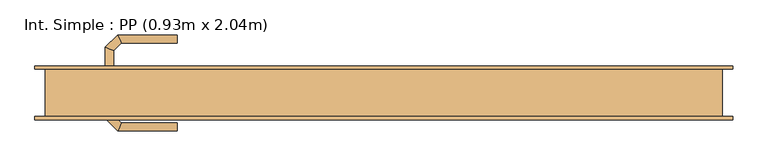
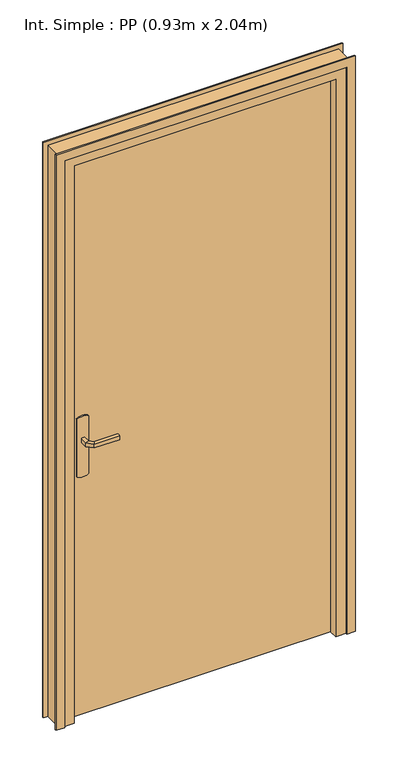
"""IFC4 building model written with IfcOpenShell, lengths in millimetres: door geometry, Int. Simple : PP (0.93m x 2.04m)."""

from ifc_helpers import new_model, si_unit, point, frame, frame_2d, origin, origin_with_axes, place, context, project, spatial, polyline, circle_curve, ellipse_curve, trimmed, segment, composite_curve, outline, extrude, faceted_brep, source, transform, mapped, element, save
from ifc_brep_helpers import plane_surface, cylinder_surface, advanced_brep


def int_simple_pp_0_93m_x_2_04m_e56fa8e8(model_context):
    return source(origin(), model_context, "Body", "SolidModel", [
        extrude(outline(composite_curve([segment(trimmed(circle_curve(frame_2d((904.6410162, -440.0)), 40.0), [point((870.0, -460.0))], [point((870.0, -420.0))], False, "CARTESIAN"), True, "CONTINUOUS"), segment(polyline([(870.0, -420.0), (1080.0, -420.0)]), True, "CONTINUOUS"), segment(trimmed(circle_curve(frame_2d((1045.3589838, -440.0)), 40.0), [point((1080.0, -420.0))], [point((1080.0, -460.0))], False, "CARTESIAN"), True, "CONTINUOUS"), segment(polyline([(1080.0, -460.0), (870.0, -460.0)]), True, "CONTINUOUS")], self_intersect=False)), frame((0.0, 35.0, 0.0), z_axis=(0.0, 1.0, 0.0), x_axis=(0.0, 0.0, 1.0)), (0.0, 0.0, 1.0), 5.0),
        extrude(outline(composite_curve([segment(trimmed(circle_curve(frame_2d((1045.3589838, -440.0)), 40.0), [point((1080.0, -420.0))], [point((1080.0, -460.0))], False, "CARTESIAN"), True, "CONTINUOUS"), segment(polyline([(1080.0, -460.0), (870.0, -460.0)]), True, "CONTINUOUS"), segment(trimmed(circle_curve(frame_2d((904.6410162, -440.0)), 40.0), [point((870.0, -460.0))], [point((870.0, -420.0))], False, "CARTESIAN"), True, "CONTINUOUS"), segment(polyline([(870.0, -420.0), (1080.0, -420.0)]), True, "CONTINUOUS")], self_intersect=False)), frame((0.0, -10.0, 0.0), z_axis=(0.0, 1.0, 0.0), x_axis=(0.0, 0.0, 1.0)), (0.0, 0.0, 1.0), 5.0),
        advanced_brep(
        [(-446.0, 40.0, 1007.0), (-446.0, 40.0, 993.0), (-434.0, 40.0, 993.0), (-434.0, 40.0, 1007.0), (-434.0, 62.680388, 1007.0), (-446.0, 67.6509507, 1007.0), (-434.0, 62.680388, 993.0), (-446.0, 67.6509507, 993.0), (-422.6522273, 74.0281607, 1007.0), (-427.62279, 86.0281607, 1007.0), (-422.6522273, 74.0281607, 993.0), (-427.62279, 86.0281607, 993.0), (-339.9813594, 86.0281607, 1007.0), (-339.9813594, 74.0281607, 1007.0), (-339.9813594, 74.0281607, 993.0), (-339.9813594, 86.0281607, 993.0)],
        [
            (0, 1),
            (1, 2, circle_curve(frame((-440.0, 40.0, 1013.0457722), z_axis=(0.0, -1.0, 0.0), x_axis=(1.0, 0.0, 0.0)), 20.9244589)),
            (2, 3),
            (3, 0, circle_curve(frame((-440.0, 40.0, 986.9542278), z_axis=(0.0, -1.0, 0.0), x_axis=(1.0, 0.0, 0.0)), 20.9244589)),
            (3, 4),
            (4, 5, ellipse_curve(frame((-440.0, 65.1656693, 986.9542278), z_axis=(-0.3826834323651126, -0.9238795325112773, 0.0), x_axis=(0.9238795325112775, -0.38268343236511254, 0.0)), 22.6484711, 20.9244589)),
            (5, 0),
            (2, 6),
            (6, 4),
            (1, 7),
            (7, 6, ellipse_curve(frame((-440.0, 65.1656693, 1013.0457722), z_axis=(-0.3826834323651126, -0.9238795325112773, 0.0), x_axis=(0.9238795325112775, -0.38268343236511254, 0.0)), 22.6484711, 20.9244589)),
            (5, 7),
            (4, 8),
            (8, 9, ellipse_curve(frame((-425.1375086, 80.0281607, 986.9542278), z_axis=(-0.9238795325112962, -0.38268343236506686, 0.0), x_axis=(0.3826834323650665, -0.9238795325112965, 0.0)), 22.6484711, 20.9244589)),
            (9, 5),
            (6, 10),
            (10, 8),
            (7, 11),
            (11, 10, ellipse_curve(frame((-425.1375086, 80.0281607, 1013.0457722), z_axis=(-0.9238795325112962, -0.38268343236506686, 0.0), x_axis=(0.3826834323650665, -0.9238795325112965, 0.0)), 22.6484711, 20.9244589)),
            (9, 11),
            (12, 13, circle_curve(frame((-339.9813594, 80.0281607, 986.9542278), z_axis=(1.0, 0.0, 0.0), x_axis=(0.0, -1.0, 0.0)), 20.9244589)),
            (13, 14),
            (14, 15, circle_curve(frame((-339.9813594, 80.0281607, 1013.0457722), z_axis=(1.0, 0.0, 0.0), x_axis=(0.0, -1.0, 0.0)), 20.9244589)),
            (15, 12),
            (8, 13),
            (12, 9),
            (10, 14),
            (11, 15),
        ],
        [
            plane_surface(frame((-449.2195445, 40.0, 1000.0), z_axis=(0.0, -1.0, 0.0), x_axis=(0.0, 0.0, -1.0))),
            cylinder_surface(frame((-440.0, 40.0, 986.9542278), z_axis=(0.0, -1.0, 0.0), x_axis=(1.0, 0.0, 0.0)), 20.9244589),
            plane_surface(frame((-434.0, 40.0, 1007.0), z_axis=(1.0, 0.0, 0.0), x_axis=(0.0, 1.0, 0.0))),
            cylinder_surface(frame((-440.0, 40.0, 1013.0457722), z_axis=(0.0, -1.0, 0.0), x_axis=(1.0, 0.0, 0.0)), 20.9244589),
            plane_surface(frame((-446.0, 40.0, 993.0), z_axis=(-1.0, 0.0, 0.0), x_axis=(0.0, 1.0, 0.0))),
            cylinder_surface(frame((-440.0, 65.1656693, 986.9542278), z_axis=(-0.7071067811865798, -0.7071067811865152, 0.0), x_axis=(0.7071067811865152, -0.7071067811865798, 0.0)), 20.9244589),
            plane_surface(frame((-434.0, 62.680388, 1007.0), z_axis=(0.7071067811865152, -0.7071067811865799, 0.0), x_axis=(0.7071067811865799, 0.7071067811865152, 0.0))),
            cylinder_surface(frame((-440.0, 65.1656693, 1013.0457722), z_axis=(-0.7071067811865798, -0.7071067811865152, 0.0), x_axis=(0.7071067811865152, -0.7071067811865798, 0.0)), 20.9244589),
            plane_surface(frame((-446.0, 67.6509507, 993.0), z_axis=(-0.7071067811865152, 0.7071067811865799, 0.0), x_axis=(0.7071067811865799, 0.7071067811865152, 0.0))),
            plane_surface(frame((-339.9813594, 80.0281607, 990.7804555), z_axis=(1.0, 0.0, 0.0), x_axis=(0.0, -1.0, 0.0))),
            cylinder_surface(frame((-425.1375086, 80.0281607, 986.9542278), z_axis=(-1.0, 0.0, 0.0), x_axis=(0.0, -1.0, 0.0)), 20.9244589),
            plane_surface(frame((-422.6522273, 74.0281607, 1007.0), z_axis=(0.0, -1.0, 0.0), x_axis=(1.0, 0.0, 0.0))),
            cylinder_surface(frame((-425.1375086, 80.0281607, 1013.0457722), z_axis=(-1.0, 0.0, 0.0), x_axis=(0.0, -1.0, 0.0)), 20.9244589),
            plane_surface(frame((-427.62279, 86.0281607, 993.0), z_axis=(0.0, 1.0, 0.0), x_axis=(1.0, 0.0, 0.0))),
        ],
        [
            (0, [[1, 2, 3, 4]]),
            (1, [[5, 6, 7, -4]]),
            (2, [[8, 9, -5, -3]]),
            (3, [[10, 11, -8, -2]]),
            (4, [[-7, 12, -10, -1]]),
            (5, [[13, 14, 15, -6]]),
            (6, [[16, 17, -13, -9]]),
            (7, [[18, 19, -16, -11]]),
            (8, [[-15, 20, -18, -12]]),
            (9, [[21, 22, 23, 24]]),
            (10, [[25, -21, 26, -14]]),
            (11, [[27, -22, -25, -17]]),
            (12, [[28, -23, -27, -19]]),
            (13, [[-26, -24, -28, -20]]),
        ],
    ),
        advanced_brep(
        [(-434.0, -10.0, 993.0), (-446.0, -10.0, 993.0), (-446.0, -10.0, 1007.0), (-434.0, -10.0, 1007.0), (-434.0, -32.4852045, 1007.0), (-434.0, -32.4852045, 993.0), (-446.0, -37.4557673, 1007.0), (-446.0, -37.4557673, 993.0), (-422.5147186, -43.9704859, 1007.0), (-422.5147186, -43.9704859, 993.0), (-427.4852814, -55.9704859, 1007.0), (-427.4852814, -55.9704859, 993.0), (-339.9542163, -43.9704859, 993.0), (-339.9542163, -43.9704859, 1007.0), (-339.9542163, -55.9704859, 1007.0), (-339.9542163, -55.9704859, 993.0)],
        [
            (0, 1, circle_curve(frame((-440.0, -10.0, 1013.0457722), z_axis=(0.0, 1.0, 0.0), x_axis=(-1.0, 0.0, 0.0)), 20.9244589)),
            (1, 2),
            (2, 3, circle_curve(frame((-440.0, -10.0, 986.9542278), z_axis=(0.0, 1.0, 0.0), x_axis=(-1.0, 0.0, 0.0)), 20.9244589)),
            (3, 0),
            (3, 4),
            (4, 5),
            (5, 0),
            (2, 6),
            (6, 4, ellipse_curve(frame((-440.0, -34.9704859, 986.9542278), z_axis=(-0.3826834323651055, 0.9238795325112801, 0.0), x_axis=(0.9238795325112799, 0.3826834323651064, 0.0)), 22.6484711, 20.9244589)),
            (1, 7),
            (7, 6),
            (5, 7, ellipse_curve(frame((-440.0, -34.9704859, 1013.0457722), z_axis=(-0.3826834323651055, 0.9238795325112801, 0.0), x_axis=(0.9238795325112799, 0.3826834323651064, 0.0)), 22.6484711, 20.9244589)),
            (4, 8),
            (8, 9),
            (9, 5),
            (6, 10),
            (10, 8, ellipse_curve(frame((-425.0, -49.9704859, 986.9542278), z_axis=(-0.9238795325112932, 0.382683432365074, 0.0), x_axis=(0.3826834323650737, 0.9238795325112934, 0.0)), 22.6484711, 20.9244589)),
            (7, 11),
            (11, 10),
            (9, 11, ellipse_curve(frame((-425.0, -49.9704859, 1013.0457722), z_axis=(-0.9238795325112932, 0.382683432365074, 0.0), x_axis=(0.3826834323650737, 0.9238795325112934, 0.0)), 22.6484711, 20.9244589)),
            (12, 13),
            (13, 14, circle_curve(frame((-339.9542163, -49.9704859, 986.9542278), z_axis=(1.0, 0.0, 0.0), x_axis=(0.0, -1.0, 0.0)), 20.9244589)),
            (14, 15),
            (15, 12, circle_curve(frame((-339.9542163, -49.9704859, 1013.0457722), z_axis=(1.0, 0.0, 0.0), x_axis=(0.0, -1.0, 0.0)), 20.9244589)),
            (8, 13),
            (12, 9),
            (10, 14),
            (11, 15),
        ],
        [
            plane_surface(frame((-449.2195445, -10.0, 1000.0), z_axis=(0.0, 1.0, 0.0), x_axis=(0.0, 0.0, 1.0))),
            plane_surface(frame((-434.0, -10.0, 993.0), z_axis=(1.0, 0.0, 0.0), x_axis=(0.0, -1.0, 0.0))),
            cylinder_surface(frame((-440.0, -10.0, 986.9542278), z_axis=(0.0, 1.0, 0.0), x_axis=(-1.0, 0.0, 0.0)), 20.9244589),
            plane_surface(frame((-446.0, -10.0, 1007.0), z_axis=(-1.0, 0.0, 0.0), x_axis=(0.0, -1.0, 0.0))),
            cylinder_surface(frame((-440.0, -10.0, 1013.0457722), z_axis=(0.0, 1.0, 0.0), x_axis=(-1.0, 0.0, 0.0)), 20.9244589),
            plane_surface(frame((-434.0, -32.4852045, 993.0), z_axis=(0.7071067811865208, 0.7071067811865742, 0.0), x_axis=(0.7071067811865742, -0.7071067811865208, 0.0))),
            cylinder_surface(frame((-440.0, -34.9704859, 986.9542278), z_axis=(-0.7071067811865742, 0.7071067811865208, 0.0), x_axis=(-0.7071067811865208, -0.7071067811865742, 0.0)), 20.9244589),
            plane_surface(frame((-446.0, -37.4557673, 1007.0), z_axis=(-0.7071067811865209, -0.7071067811865741, 0.0), x_axis=(0.7071067811865741, -0.7071067811865209, 0.0))),
            cylinder_surface(frame((-440.0, -34.9704859, 1013.0457722), z_axis=(-0.7071067811865742, 0.7071067811865208, 0.0), x_axis=(-0.7071067811865208, -0.7071067811865742, 0.0)), 20.9244589),
            plane_surface(frame((-339.9542163, -49.9704859, 990.7804555), z_axis=(1.0, 0.0, 0.0), x_axis=(0.0, -1.0, 0.0))),
            plane_surface(frame((-422.5147186, -43.9704859, 993.0), z_axis=(0.0, 1.0, 0.0), x_axis=(1.0, 0.0, 0.0))),
            cylinder_surface(frame((-425.0, -49.9704859, 986.9542278), z_axis=(-1.0, 0.0, 0.0), x_axis=(0.0, -1.0, 0.0)), 20.9244589),
            plane_surface(frame((-427.4852814, -55.9704859, 1007.0), z_axis=(0.0, -1.0, 0.0), x_axis=(1.0, 0.0, 0.0))),
            cylinder_surface(frame((-425.0, -49.9704859, 1013.0457722), z_axis=(-1.0, 0.0, 0.0), x_axis=(0.0, -1.0, 0.0)), 20.9244589),
        ],
        [
            (0, [[1, 2, 3, 4]]),
            (1, [[5, 6, 7, -4]]),
            (2, [[8, 9, -5, -3]]),
            (3, [[10, 11, -8, -2]]),
            (4, [[-7, 12, -10, -1]]),
            (5, [[13, 14, 15, -6]]),
            (6, [[16, 17, -13, -9]]),
            (7, [[18, 19, -16, -11]]),
            (8, [[-15, 20, -18, -12]]),
            (9, [[21, 22, 23, 24]]),
            (10, [[25, -21, 26, -14]]),
            (11, [[27, -22, -25, -17]]),
            (12, [[28, -23, -27, -19]]),
            (13, [[-26, -24, -28, -20]]),
        ],
    ),
        extrude(outline(polyline([(-500.0, -5.0), (-500.0, 35.0), (430.0, 35.0), (430.0, -5.0), (-500.0, -5.0)])), origin_with_axes(), (0.0, 0.0, 1.0), 2040.0),
        faceted_brep([(-535.0, 35.0, 0.0), (-500.0, 35.0, 0.0), (-500.0, -5.0, 0.0), (-485.0, -5.0, 0.0), (-485.0, -35.0, 0.0), (-535.0, -35.0, 0.0), (-535.0, -35.0, 2075.0), (-535.0, 35.0, 2075.0), (-485.0, -35.0, 2025.0), (415.0, -35.0, 2025.0), (415.0, -35.0, 0.0), (465.0, -35.0, 0.0), (465.0, -35.0, 2075.0), (-485.0, -5.0, 2025.0), (-500.0, -5.0, 2040.0), (430.0, -5.0, 2040.0), (430.0, -5.0, 0.0), (415.0, -5.0, 0.0), (415.0, -5.0, 2025.0), (-500.0, 35.0, 2040.0), (465.0, 35.0, 2075.0), (465.0, 35.0, 0.0), (430.0, 35.0, 0.0), (430.0, 35.0, 2040.0)], [[[0, 1, 2, 3, 4, 5]], [[5, 6, 7, 0]], [[4, 8, 9, 10, 11, 12, 6, 5]], [[3, 13, 8, 4]], [[2, 14, 15, 16, 17, 18, 13, 3]], [[1, 19, 14, 2]], [[0, 7, 20, 21, 22, 23, 19, 1]], [[12, 11, 21, 20]], [[21, 11, 10, 17, 16, 22]], [[18, 17, 10, 9]], [[23, 22, 16, 15]], [[6, 12, 20, 7]], [[13, 18, 9, 8]], [[19, 23, 15, 14]]]),
        extrude(outline(polyline([(0.0, -520.0), (2060.0, -520.0), (2060.0, 450.0), (0.0, 450.0), (0.0, 480.0), (2090.0, 480.0), (2090.0, -550.0), (0.0, -550.0), (0.0, -520.0)])), frame((0.0, 35.0, 0.0), z_axis=(0.0, 1.0, 0.0), x_axis=(0.0, 0.0, 1.0)), (0.0, 0.0, 1.0), 5.0),
        extrude(outline(polyline([(0.0, -520.0), (2060.0, -520.0), (2060.0, 450.0), (0.0, 450.0), (0.0, 480.0), (2090.0, 480.0), (2090.0, -550.0), (0.0, -550.0), (0.0, -520.0)])), frame((0.0, -40.0, 0.0), z_axis=(0.0, 1.0, 0.0), x_axis=(0.0, 0.0, 1.0)), (0.0, 0.0, 1.0), 5.0),
    ])


if __name__ == "__main__":
    model = new_model("IFC4")
    model_context = context("Model", 3, world=origin())
    ifc_project = project(units=[si_unit("LENGTHUNIT", "METRE", prefix="MILLI")], contexts=[model_context])
    site = spatial("IfcSite", under=ifc_project)
    building = spatial("IfcBuilding", under=site)
    placement = place(None, origin())
    int_simple_pp_0_93m_x_2_04m_shape = int_simple_pp_0_93m_x_2_04m_e56fa8e8(model_context)
    element("IfcDoor", 1, ObjectType="Int. Simple : PP (0.93m x 2.04m)", at=placement, inside=building, context=model_context, shape_type="MappedRepresentation", body=[
        mapped(int_simple_pp_0_93m_x_2_04m_shape, transform((0.0, 0.0, 0.0), x_axis=(1.0, 0.0, 0.0), y_axis=(0.0, 1.0, 0.0), z_axis=(0.0, 0.0, 1.0))),
    ])
    save(model, "model.ifc")
